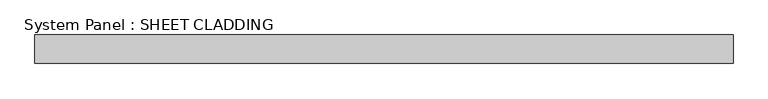
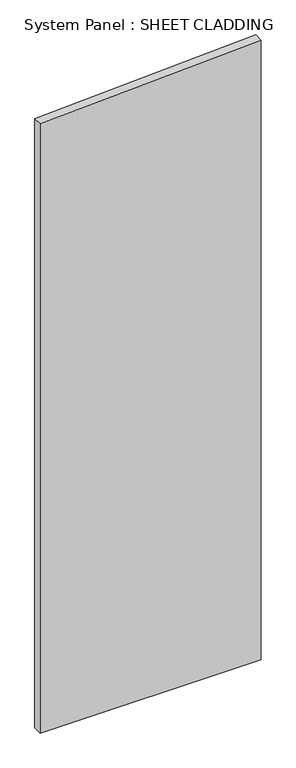
"""IFC4 building model written with IfcOpenShell, lengths in millimetres: plate geometry, System Panel : SHEET CLADDING."""

import ifcopenshell
import ifcopenshell.guid

model = None  # the IFC model being written
_history = None  # IfcOwnerHistory: only IFC2X3 demands one
_inside = {}  # id of a spatial element -> (the spatial element, [elements in it])
_under = {}  # id of a project, library or spatial element -> (it, [spatial elements below it])
_declared = {}  # id of a project -> (the project, [libraries it declares])
_typed = {}  # id of a type object -> (the type object, [elements of that type])
_made_of = {}  # id of a material, layer set ... -> (it, [elements and type objects made of it])


def new_model(schema):
    """Start an empty IFC model of exactly this schema.

    Asked for "IFC4X3", IfcOpenShell would pick the latest addendum, in which some entities
    have other attributes; the version numbers below select the first issue.
    IFC2X3 requires an IfcOwnerHistory on every rooted entity: one is made here for all.
    """
    global model, _history
    if schema == "IFC4X3":
        model = ifcopenshell.file(schema_version=(4, 3, 0, 0))
    else:
        model = ifcopenshell.file(schema=schema)
    _inside.clear()
    _under.clear()
    _declared.clear()
    _typed.clear()
    _made_of.clear()
    _history = None
    if model.schema == "IFC2X3":
        org = make("IfcOrganization", Name="unknown")
        user = make(
            "IfcPersonAndOrganization",
            ThePerson=make("IfcPerson", FamilyName="unknown"),
            TheOrganization=org,
        )
        app = make(
            "IfcApplication",
            ApplicationDeveloper=org,
            Version="unknown",
            ApplicationFullName="unknown",
            ApplicationIdentifier="unknown",
        )
        _history = make(
            "IfcOwnerHistory",
            OwningUser=user,
            OwningApplication=app,
            ChangeAction="ADDED",
            CreationDate=0,
        )
    return model


def make(cls, **values):
    """One entity of the class cls with the attributes given. An attribute that is None is left unset."""
    return model.create_entity(
        cls, **{name: value for name, value in values.items() if value is not None}
    )


def rooted(cls, **values):
    """An entity with a GlobalId (a new one), such as an element, a storey or a relation."""
    return make(cls, GlobalId=ifcopenshell.guid.new(), OwnerHistory=_history, **values)


def si_unit(unit_type, name, prefix=None):
    """IfcSIUnit, for example si_unit("LENGTHUNIT", "METRE", prefix="MILLI")."""
    return make("IfcSIUnit", UnitType=unit_type, Prefix=prefix, Name=name)


def assignment(units):
    """IfcUnitAssignment: the units of a project."""
    return None if units is None else make("IfcUnitAssignment", Units=units)


def point(xyz):
    """IfcCartesianPoint."""
    return None if xyz is None else make("IfcCartesianPoint", Coordinates=xyz)


def direction(xyz):
    """IfcDirection."""
    return None if xyz is None else make("IfcDirection", DirectionRatios=xyz)


def frame(location, z_axis=None, x_axis=None):
    """IfcAxis2Placement3D, a coordinate frame: its origin and axes. An axis left out is left unset."""
    return make(
        "IfcAxis2Placement3D",
        Location=point(location),
        Axis=direction(z_axis),
        RefDirection=direction(x_axis),
    )


def origin():
    """The frame at (0, 0, 0) with its axes left unset."""
    return frame((0.0, 0.0, 0.0))


def place(relative_to, where):
    """IfcLocalPlacement: puts the frame where relative to a parent placement (None: the world)."""
    return make(
        "IfcLocalPlacement", PlacementRelTo=relative_to, RelativePlacement=where
    )


def context(
    kind, dimensions, precision=None, world=None, true_north=None, identifier=None
):
    """IfcGeometricRepresentationContext, for example the 3D "Model" context."""
    return make(
        "IfcGeometricRepresentationContext",
        ContextIdentifier=identifier,
        ContextType=kind,
        CoordinateSpaceDimension=dimensions,
        Precision=precision,
        WorldCoordinateSystem=world,
        TrueNorth=true_north,
    )


def project(units=None, contexts=None):
    """IfcProject with its units and contexts."""
    return rooted(
        "IfcProject",
        Name="project",
        RepresentationContexts=contexts,
        UnitsInContext=assignment(units),
    )


def spatial(cls, under=None, at=None, **own):
    """A site, building, storey or space (cls), placed at a placement, below another one or the project."""
    s = rooted(cls, ObjectPlacement=at, **own)
    if under is not None:
        _under.setdefault(under.id(), (under, []))[1].append(s)
    return s


def polyline(points):
    """IfcPolyline through the points."""
    return make("IfcPolyline", Points=[point(p) for p in points])


def outline(outer, holes=None, kind="AREA"):
    """IfcArbitraryClosedProfileDef: a profile drawn as a closed curve; with holes, ...WithVoids."""
    if holes is None:
        return make("IfcArbitraryClosedProfileDef", ProfileType=kind, OuterCurve=outer)
    return make(
        "IfcArbitraryProfileDefWithVoids",
        ProfileType=kind,
        OuterCurve=outer,
        InnerCurves=holes,
    )


def extrude(swept, where, along, depth):
    """IfcExtrudedAreaSolid: the profile swept, set in the frame where, extruded along a direction by depth."""
    return make(
        "IfcExtrudedAreaSolid",
        SweptArea=swept,
        Position=where,
        ExtrudedDirection=direction(along),
        Depth=depth,
    )


def shape(context_of_items, identifier, shape_type, items):
    """IfcShapeRepresentation: the items that make up one representation, for example the "Body"."""
    return make(
        "IfcShapeRepresentation",
        ContextOfItems=context_of_items,
        RepresentationIdentifier=identifier,
        RepresentationType=shape_type,
        Items=items,
    )


def source(mapping_origin, context_of_items, identifier, shape_type, items):
    """IfcRepresentationMap: a shape defined once, which mapped items show again and again."""
    return make(
        "IfcRepresentationMap",
        MappingOrigin=mapping_origin,
        MappedRepresentation=shape(context_of_items, identifier, shape_type, items),
    )


def transform(
    local_origin,
    x_axis=None,
    y_axis=None,
    z_axis=None,
    scale=None,
    scale2=None,
    scale3=None,
    uniform=True,
):
    """IfcCartesianTransformationOperator3D, or its non-uniform kind. x_axis, y_axis, z_axis: its Axis1, 2, 3."""
    if uniform:
        return make(
            "IfcCartesianTransformationOperator3D",
            Axis1=direction(x_axis),
            Axis2=direction(y_axis),
            LocalOrigin=point(local_origin),
            Scale=scale,
            Axis3=direction(z_axis),
        )
    return make(
        "IfcCartesianTransformationOperator3DnonUniform",
        Axis1=direction(x_axis),
        Axis2=direction(y_axis),
        LocalOrigin=point(local_origin),
        Scale=scale,
        Axis3=direction(z_axis),
        Scale2=scale2,
        Scale3=scale3,
    )


def mapped(mapping_source, mapping_target):
    """IfcMappedItem: shows the shape of a source again, moved by a transform."""
    return make(
        "IfcMappedItem", MappingSource=mapping_source, MappingTarget=mapping_target
    )


def made_of(thing, what):
    """Note that an element or type object is made of a material, layer set ...; save() writes the relation."""
    if what is not None:
        _made_of.setdefault(what.id(), (what, []))[1].append(thing)
    return thing


def element(
    cls,
    number,
    at=None,
    inside=None,
    cuts=None,
    type_object=None,
    material=None,
    context=None,
    identifier="Body",
    shape_type=None,
    held_by="IfcProductDefinitionShape",
    body=None,
    shapes=None,
    **own,
):
    """One element of the class cls, such as IfcWall. Its Tag is "e" and its number.

    at: its placement. inside: the storey or other place that contains it. cuts: it is an
    opening in that element (IfcRelVoidsElement). A single representation is given by context,
    identifier, shape_type and body (its items); several are given by shapes. held_by: the class
    of the entity that holds the representations. save() writes the other relations.
    """
    e = rooted(cls, Tag="e%d" % number, ObjectPlacement=at, **own)
    if body is not None:
        shapes = [shape(context, identifier, shape_type, body)]
    if shapes is not None:
        e.Representation = make(held_by, Representations=shapes)
    if inside is not None:
        _inside.setdefault(inside.id(), (inside, []))[1].append(e)
    if cuts is not None:
        rooted(
            "IfcRelVoidsElement", RelatingBuildingElement=cuts, RelatedOpeningElement=e
        )
    if type_object is not None:
        _typed.setdefault(type_object.id(), (type_object, []))[1].append(e)
    return made_of(e, material)


def aggregate(whole, parts):
    """IfcRelAggregates: a whole, such as a stair, and the parts it consists of."""
    return rooted("IfcRelAggregates", RelatingObject=whole, RelatedObjects=parts)


def save(model, path):
    """Write the relations noted so far, then the file.

    IfcRelAggregates (storeys below a building ...), IfcRelContainedInSpatialStructure (elements
    in a storey), IfcRelDefinesByType, IfcRelAssociatesMaterial and IfcRelDeclares: one each for
    every whole, place, type object, material and project.
    """
    for whole, parts in _under.values():
        aggregate(whole, parts)
    for where, things in _inside.values():
        rooted(
            "IfcRelContainedInSpatialStructure",
            RelatedElements=things,
            RelatingStructure=where,
        )
    for kind, things in _typed.values():
        rooted("IfcRelDefinesByType", RelatedObjects=things, RelatingType=kind)
    for what, things in _made_of.values():
        rooted("IfcRelAssociatesMaterial", RelatedObjects=things, RelatingMaterial=what)
    for by, libraries in _declared.values():
        rooted("IfcRelDeclares", RelatingContext=by, RelatedDefinitions=libraries)
    model.write(path)


def system_panel_sheet_cladding_b03f3af9(model_context):
    return source(origin(), model_context, "Body", "SweptSolid", [
        extrude(outline(polyline([(0.0, -735.4591837), (0.0, 735.4591837), (4358.9265306, 735.4591837), (4285.3806122, -735.4591837), (0.0, -735.4591837)])), frame((0.0, -10.5, 0.0), z_axis=(0.0, 1.0, 0.0), x_axis=(0.0, 0.0, 1.0)), (0.0, 0.0, 1.0), 60.0),
    ])


if __name__ == "__main__":
    model = new_model("IFC4")
    model_context = context("Model", 3, world=origin())
    ifc_project = project(units=[si_unit("LENGTHUNIT", "METRE", prefix="MILLI")], contexts=[model_context])
    site = spatial("IfcSite", under=ifc_project)
    building = spatial("IfcBuilding", under=site)
    placement = place(None, origin())
    system_panel_sheet_cladding_shape = system_panel_sheet_cladding_b03f3af9(model_context)
    element("IfcPlate", 1, ObjectType="System Panel : SHEET CLADDING", at=placement, inside=building, context=model_context, shape_type="MappedRepresentation", body=[
        mapped(system_panel_sheet_cladding_shape, transform((0.0, 0.0, 0.0), x_axis=(1.0, 0.0, 0.0), y_axis=(0.0, 1.0, 0.0), z_axis=(0.0, 0.0, 1.0))),
    ])
    save(model, "model.ifc")
